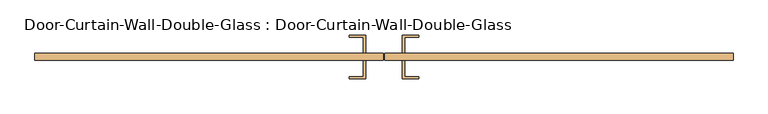
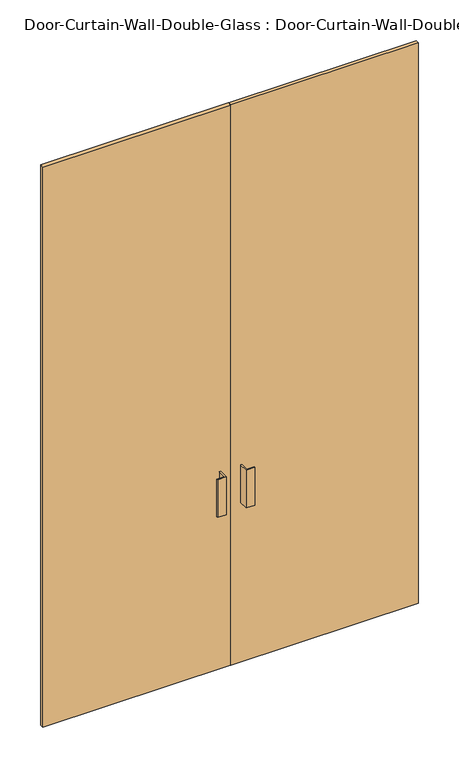
"""IFC4 building model written with IfcOpenShell, lengths in millimetres: door geometry, Door-Curtain-Wall-Double-Glass : Door-Curtain-Wall-Double-Glass."""

from ifc_helpers import new_model, si_unit, frame, origin, origin_with_axes, place, context, project, spatial, polyline, outline, extrude, source, transform, mapped, element, save


def door_curtain_wall_double_glass_door_curtain_wall_double_8abbfbbb(model_context):
    return source(origin(), model_context, "Body", "SweptSolid", [
        extrude(outline(polyline([(-1.6143999, 31.75), (-960.0, 31.75), (-960.0, 50.8), (-1.6143999, 50.8), (-1.6143999, 31.75)])), origin_with_axes(), (0.0, 0.0, 1.0), 3030.0),
        extrude(outline(polyline([(960.0, 31.75), (1.5606001, 31.75), (1.5606001, 50.8), (960.0, 50.8), (960.0, 31.75)])), origin_with_axes(), (0.0, 0.0, 1.0), 3030.0),
        extrude(outline(polyline([(-50.8268999, 101.6), (-50.8268999, 50.8), (-57.1768999, 50.8), (-57.1768999, 95.25), (-95.2768999, 95.25), (-95.2768999, 101.6), (-50.8268999, 101.6)])), frame((0.0, 0.0, 863.6), z_axis=(0.0, 0.0, 1.0), x_axis=(1.0, 0.0, 0.0)), (0.0, 0.0, 1.0), 203.2),
        extrude(outline(polyline([(50.7731001, 101.6), (95.2231001, 101.6), (95.2231001, 95.25), (57.1231001, 95.25), (57.1231001, 50.8), (50.7731001, 50.8), (50.7731001, 101.6)])), frame((0.0, 0.0, 863.6), z_axis=(0.0, 0.0, 1.0), x_axis=(1.0, 0.0, 0.0)), (0.0, 0.0, 1.0), 203.2),
        extrude(outline(polyline([(-50.8268999, -19.05), (-95.2768999, -19.05), (-95.2768999, -12.7), (-57.1768999, -12.7), (-57.1768999, 31.75), (-50.8268999, 31.75), (-50.8268999, -19.05)])), frame((0.0, 0.0, 863.6), z_axis=(0.0, 0.0, 1.0), x_axis=(1.0, 0.0, 0.0)), (0.0, 0.0, 1.0), 203.2),
        extrude(outline(polyline([(50.7731001, -19.05), (50.7731001, 31.75), (57.1231001, 31.75), (57.1231001, -12.7), (95.2231001, -12.7), (95.2231001, -19.05), (50.7731001, -19.05)])), frame((0.0, 0.0, 863.6), z_axis=(0.0, 0.0, 1.0), x_axis=(1.0, 0.0, 0.0)), (0.0, 0.0, 1.0), 203.2),
    ])


if __name__ == "__main__":
    model = new_model("IFC4")
    model_context = context("Model", 3, world=origin())
    ifc_project = project(units=[si_unit("LENGTHUNIT", "METRE", prefix="MILLI")], contexts=[model_context])
    site = spatial("IfcSite", under=ifc_project)
    building = spatial("IfcBuilding", under=site)
    placement = place(None, origin())
    door_curtain_wall_double_glass_door_curtain_wall_double_shape = door_curtain_wall_double_glass_door_curtain_wall_double_8abbfbbb(model_context)
    element("IfcDoor", 1, ObjectType="Door-Curtain-Wall-Double-Glass : Door-Curtain-Wall-Double-Glass", at=placement, inside=building, context=model_context, shape_type="MappedRepresentation", body=[
        mapped(door_curtain_wall_double_glass_door_curtain_wall_double_shape, transform((0.0, 0.0, 0.0), x_axis=(1.0, 0.0, 0.0), y_axis=(0.0, 1.0, 0.0), z_axis=(0.0, 0.0, 1.0))),
    ])
    save(model, "model.ifc")
